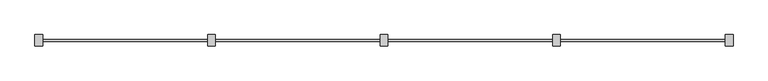
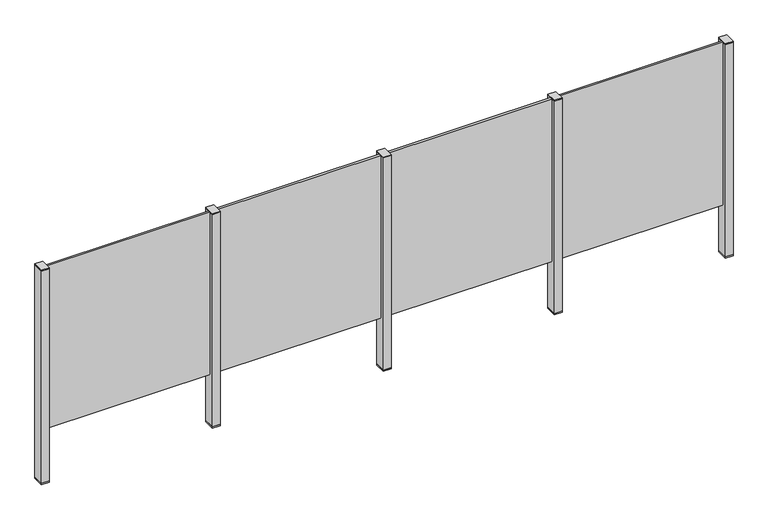
"""IFC4 building model written with IfcOpenShell, lengths in millimetres: railing geometry."""

from ifc_helpers import new_model, si_unit, frame, origin, place, context, project, spatial, polyline, outline, extrude, source, transform, mapped, element, save


def railing_15e16538(model_context):
    return source(origin(), model_context, "Body", "SweptSolid", [
        extrude(outline(polyline([(51037.0, 2360.3094929), (51037.0, 2373.5094929), (52017.0, 2373.5094929), (52017.0, 2360.3094929), (51037.0, 2360.3094929)])), frame((0.0, 0.0, 95.0), z_axis=(0.0, 0.0, 1.0), x_axis=(1.0, 0.0, 0.0)), (0.0, 0.0, 1.0), 1005.0),
        extrude(outline(polyline([(51049.5, 2400.1846828), (51049.5, 2335.1846828), (51004.5, 2335.1846828), (51004.5, 2400.1846828), (51049.5, 2400.1846828)])), frame((0.0, 0.0, 1100.0), z_axis=(0.0, 0.0, 1.0), x_axis=(1.0, 0.0, 0.0)), (0.0, 0.0, 1.0), 5.0),
        extrude(outline(polyline([(51049.5, 2400.1846828), (51049.5, 2335.1846828), (51004.5, 2335.1846828), (51004.5, 2400.1846828), (51049.5, 2400.1846828)])), frame((0.0, 0.0, -212.0), z_axis=(0.0, 0.0, 1.0), x_axis=(1.0, 0.0, 0.0)), (0.0, 0.0, 1.0), 1312.0),
        extrude(outline(polyline([(51049.5, 2400.1846828), (51049.5, 2335.1846828), (51004.5, 2335.1846828), (51004.5, 2400.1846828), (51049.5, 2400.1846828)])), frame((0.0, 0.0, -220.0), z_axis=(0.0, 0.0, 1.0), x_axis=(1.0, 0.0, 0.0)), (0.0, 0.0, 1.0), 8.0),
        extrude(outline(polyline([(50037.0, 2360.3094929), (50037.0, 2373.5094929), (51017.0, 2373.5094929), (51017.0, 2360.3094929), (50037.0, 2360.3094929)])), frame((0.0, 0.0, 95.0), z_axis=(0.0, 0.0, 1.0), x_axis=(1.0, 0.0, 0.0)), (0.0, 0.0, 1.0), 1005.0),
        extrude(outline(polyline([(50049.5, 2400.1846828), (50049.5, 2335.1846828), (50004.5, 2335.1846828), (50004.5, 2400.1846828), (50049.5, 2400.1846828)])), frame((0.0, 0.0, 1100.0), z_axis=(0.0, 0.0, 1.0), x_axis=(1.0, 0.0, 0.0)), (0.0, 0.0, 1.0), 5.0),
        extrude(outline(polyline([(50049.5, 2400.1846828), (50049.5, 2335.1846828), (50004.5, 2335.1846828), (50004.5, 2400.1846828), (50049.5, 2400.1846828)])), frame((0.0, 0.0, -212.0), z_axis=(0.0, 0.0, 1.0), x_axis=(1.0, 0.0, 0.0)), (0.0, 0.0, 1.0), 1312.0),
        extrude(outline(polyline([(50049.5, 2400.1846828), (50049.5, 2335.1846828), (50004.5, 2335.1846828), (50004.5, 2400.1846828), (50049.5, 2400.1846828)])), frame((0.0, 0.0, -220.0), z_axis=(0.0, 0.0, 1.0), x_axis=(1.0, 0.0, 0.0)), (0.0, 0.0, 1.0), 8.0),
        extrude(outline(polyline([(49037.0, 2360.3094929), (49037.0, 2373.5094929), (50017.0, 2373.5094929), (50017.0, 2360.3094929), (49037.0, 2360.3094929)])), frame((0.0, 0.0, 95.0), z_axis=(0.0, 0.0, 1.0), x_axis=(1.0, 0.0, 0.0)), (0.0, 0.0, 1.0), 1005.0),
        extrude(outline(polyline([(49049.5, 2400.1846828), (49049.5, 2335.1846828), (49004.5, 2335.1846828), (49004.5, 2400.1846828), (49049.5, 2400.1846828)])), frame((0.0, 0.0, 1100.0), z_axis=(0.0, 0.0, 1.0), x_axis=(1.0, 0.0, 0.0)), (0.0, 0.0, 1.0), 5.0),
        extrude(outline(polyline([(49049.5, 2400.1846828), (49049.5, 2335.1846828), (49004.5, 2335.1846828), (49004.5, 2400.1846828), (49049.5, 2400.1846828)])), frame((0.0, 0.0, -212.0), z_axis=(0.0, 0.0, 1.0), x_axis=(1.0, 0.0, 0.0)), (0.0, 0.0, 1.0), 1312.0),
        extrude(outline(polyline([(49049.5, 2400.1846828), (49049.5, 2335.1846828), (49004.5, 2335.1846828), (49004.5, 2400.1846828), (49049.5, 2400.1846828)])), frame((0.0, 0.0, -220.0), z_axis=(0.0, 0.0, 1.0), x_axis=(1.0, 0.0, 0.0)), (0.0, 0.0, 1.0), 8.0),
        extrude(outline(polyline([(48037.0, 2360.3094929), (48037.0, 2373.5094929), (49017.0, 2373.5094929), (49017.0, 2360.3094929), (48037.0, 2360.3094929)])), frame((0.0, 0.0, 95.0), z_axis=(0.0, 0.0, 1.0), x_axis=(1.0, 0.0, 0.0)), (0.0, 0.0, 1.0), 1005.0),
        extrude(outline(polyline([(52049.5, 2400.1846828), (52049.5, 2335.1846828), (52004.5, 2335.1846828), (52004.5, 2400.1846828), (52049.5, 2400.1846828)])), frame((0.0, 0.0, 1100.0), z_axis=(0.0, 0.0, 1.0), x_axis=(1.0, 0.0, 0.0)), (0.0, 0.0, 1.0), 5.0),
        extrude(outline(polyline([(52049.5, 2400.1846828), (52049.5, 2335.1846828), (52004.5, 2335.1846828), (52004.5, 2400.1846828), (52049.5, 2400.1846828)])), frame((0.0, 0.0, -212.0), z_axis=(0.0, 0.0, 1.0), x_axis=(1.0, 0.0, 0.0)), (0.0, 0.0, 1.0), 1312.0),
        extrude(outline(polyline([(52049.5, 2400.1846828), (52049.5, 2335.1846828), (52004.5, 2335.1846828), (52004.5, 2400.1846828), (52049.5, 2400.1846828)])), frame((0.0, 0.0, -220.0), z_axis=(0.0, 0.0, 1.0), x_axis=(1.0, 0.0, 0.0)), (0.0, 0.0, 1.0), 8.0),
        extrude(outline(polyline([(48049.5, 2400.1846828), (48049.5, 2335.1846828), (48004.5, 2335.1846828), (48004.5, 2400.1846828), (48049.5, 2400.1846828)])), frame((0.0, 0.0, 1100.0), z_axis=(0.0, 0.0, 1.0), x_axis=(1.0, 0.0, 0.0)), (0.0, 0.0, 1.0), 5.0),
        extrude(outline(polyline([(48049.5, 2400.1846828), (48049.5, 2335.1846828), (48004.5, 2335.1846828), (48004.5, 2400.1846828), (48049.5, 2400.1846828)])), frame((0.0, 0.0, -212.0), z_axis=(0.0, 0.0, 1.0), x_axis=(1.0, 0.0, 0.0)), (0.0, 0.0, 1.0), 1312.0),
        extrude(outline(polyline([(48049.5, 2400.1846828), (48049.5, 2335.1846828), (48004.5, 2335.1846828), (48004.5, 2400.1846828), (48049.5, 2400.1846828)])), frame((0.0, 0.0, -220.0), z_axis=(0.0, 0.0, 1.0), x_axis=(1.0, 0.0, 0.0)), (0.0, 0.0, 1.0), 8.0),
    ])


if __name__ == "__main__":
    model = new_model("IFC4")
    model_context = context("Model", 3, world=origin())
    ifc_project = project(units=[si_unit("LENGTHUNIT", "METRE", prefix="MILLI")], contexts=[model_context])
    site = spatial("IfcSite", under=ifc_project)
    building = spatial("IfcBuilding", under=site)
    placement = place(None, origin())
    railing_shape = railing_15e16538(model_context)
    element("IfcRailing", 1, at=placement, inside=building, context=model_context, shape_type="MappedRepresentation", body=[
        mapped(railing_shape, transform((0.0, 0.0, 0.0), x_axis=(1.0, 0.0, 0.0), y_axis=(0.0, 1.0, 0.0), z_axis=(0.0, 0.0, 1.0))),
    ])
    save(model, "model.ifc")
